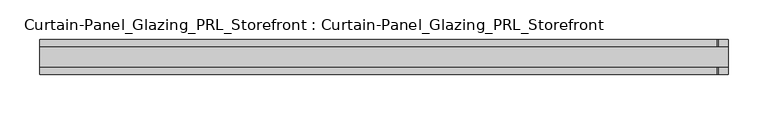
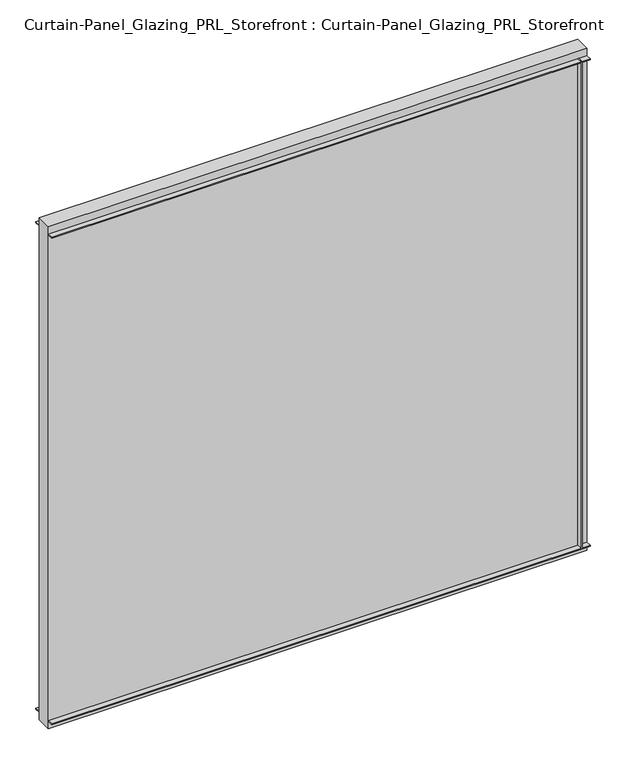
"""IFC4 building model written with IfcOpenShell, lengths in millimetres: plate geometry, Curtain-Panel_Glazing_PRL_Storefront : Curtain-Panel_Glazing_PRL_Storefront."""

from ifc_helpers import new_model, si_unit, frame, origin, origin_with_axes, place, context, project, spatial, polyline, outline, extrude, source, transform, mapped, element, save


def curtain_panel_glazing_prl_storefront_curtain_panel_glazing_c268b2fc(model_context):
    return source(origin(), model_context, "Body", "SweptSolid", [
        extrude(outline(polyline([(422.275, -22.225), (420.6875, -22.225), (420.6875, -12.7), (422.275, -12.7), (422.275, -22.225)])), frame((0.0, 0.0, 12.7), z_axis=(0.0, 0.0, 1.0), x_axis=(1.0, 0.0, 0.0)), (0.0, 0.0, 1.0), 831.85),
        extrude(outline(polyline([(422.275, 22.225), (422.275, 12.7), (420.6875, 12.7), (420.6875, 22.225), (422.275, 22.225)])), frame((0.0, 0.0, 12.7), z_axis=(0.0, 0.0, 1.0), x_axis=(1.0, 0.0, 0.0)), (0.0, 0.0, 1.0), 831.85),
        extrude(outline(polyline([(434.975, 12.7), (434.975, -12.7), (-434.975, -12.7), (-434.975, 12.7), (434.975, 12.7)])), origin_with_axes(), (0.0, 0.0, 1.0), 857.25),
        extrude(outline(polyline([(-434.975, -22.225), (-434.975, -12.7), (434.975, -12.7), (434.975, -22.225), (-434.975, -22.225)])), frame((0.0, 0.0, 842.9625), z_axis=(0.0, 0.0, 1.0), x_axis=(1.0, 0.0, 0.0)), (0.0, 0.0, 1.0), 1.5875),
        extrude(outline(polyline([(-434.975, 22.225), (434.975, 22.225), (434.975, 12.7), (-434.975, 12.7), (-434.975, 22.225)])), frame((0.0, 0.0, 842.9625), z_axis=(0.0, 0.0, 1.0), x_axis=(1.0, 0.0, 0.0)), (0.0, 0.0, 1.0), 1.5875),
        extrude(outline(polyline([(-434.975, -22.225), (-434.975, -12.7), (434.975, -12.7), (434.975, -22.225), (-434.975, -22.225)])), frame((0.0, 0.0, 12.7), z_axis=(0.0, 0.0, 1.0), x_axis=(1.0, 0.0, 0.0)), (0.0, 0.0, 1.0), 1.5875),
        extrude(outline(polyline([(-434.975, 22.225), (434.975, 22.225), (434.975, 12.7), (-434.975, 12.7), (-434.975, 22.225)])), frame((0.0, 0.0, 12.7), z_axis=(0.0, 0.0, 1.0), x_axis=(1.0, 0.0, 0.0)), (0.0, 0.0, 1.0), 1.5875),
    ])


if __name__ == "__main__":
    model = new_model("IFC4")
    model_context = context("Model", 3, world=origin())
    ifc_project = project(units=[si_unit("LENGTHUNIT", "METRE", prefix="MILLI")], contexts=[model_context])
    site = spatial("IfcSite", under=ifc_project)
    building = spatial("IfcBuilding", under=site)
    placement = place(None, origin())
    curtain_panel_glazing_prl_storefront_curtain_panel_glazing_shape = curtain_panel_glazing_prl_storefront_curtain_panel_glazing_c268b2fc(model_context)
    element("IfcPlate", 1, ObjectType="Curtain-Panel_Glazing_PRL_Storefront : Curtain-Panel_Glazing_PRL_Storefront", at=placement, inside=building, context=model_context, shape_type="MappedRepresentation", body=[
        mapped(curtain_panel_glazing_prl_storefront_curtain_panel_glazing_shape, transform((0.0, 0.0, 0.0), x_axis=(1.0, 0.0, 0.0), y_axis=(0.0, 1.0, 0.0), z_axis=(0.0, 0.0, 1.0))),
    ])
    save(model, "model.ifc")
